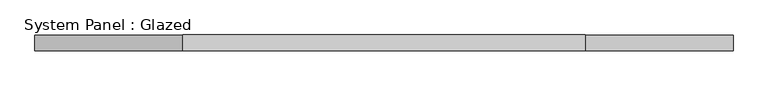
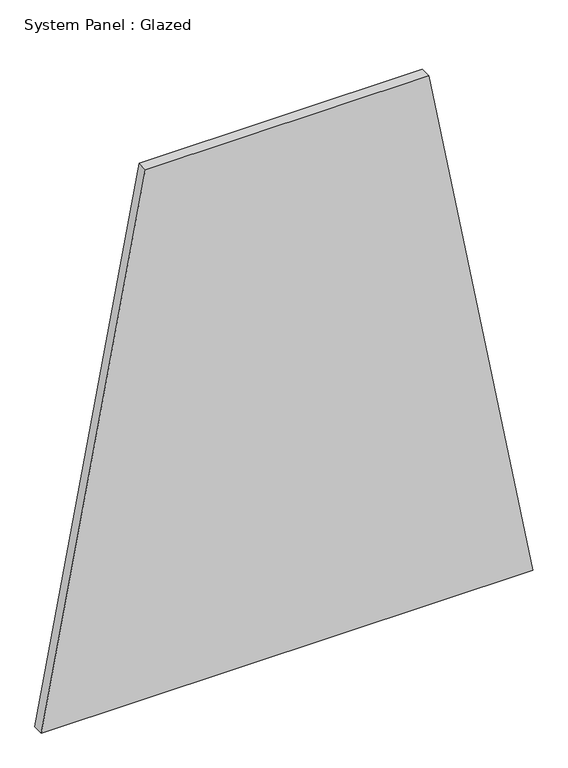
"""IFC4 building model written with IfcOpenShell, lengths in millimetres: plate geometry, System Panel : Glazed."""

from ifc_helpers import new_model, si_unit, frame, origin, place, context, project, spatial, polyline, outline, extrude, source, transform, mapped, element, save


def system_panel_glazed_c07df65b(model_context):
    return source(origin(), model_context, "Body", "SweptSolid", [
        extrude(outline(polyline([(0.0, -668.2328193), (0.0, 668.2328193), (1521.4592987, 385.0028433), (1521.4592987, -385.0028433), (0.0, -668.2328193)])), frame((0.0, -36.8101563, 0.0), z_axis=(0.0, 1.0, 0.0), x_axis=(0.0, 0.0, 1.0)), (0.0, 0.0, 1.0), 30.1625),
    ])


if __name__ == "__main__":
    model = new_model("IFC4")
    model_context = context("Model", 3, world=origin())
    ifc_project = project(units=[si_unit("LENGTHUNIT", "METRE", prefix="MILLI")], contexts=[model_context])
    site = spatial("IfcSite", under=ifc_project)
    building = spatial("IfcBuilding", under=site)
    placement = place(None, origin())
    system_panel_glazed_shape = system_panel_glazed_c07df65b(model_context)
    element("IfcPlate", 1, ObjectType="System Panel : Glazed", at=placement, inside=building, context=model_context, shape_type="MappedRepresentation", body=[
        mapped(system_panel_glazed_shape, transform((0.0, 0.0, 0.0), x_axis=(1.0, 0.0, 0.0), y_axis=(0.0, 1.0, 0.0), z_axis=(0.0, 0.0, 1.0))),
    ])
    save(model, "model.ifc")
